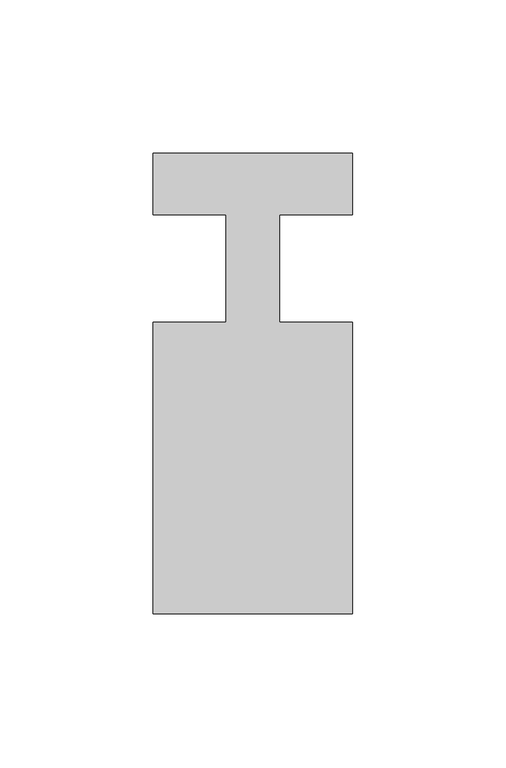
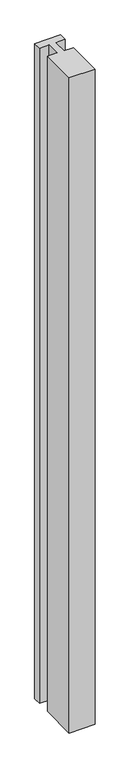
"""IFC4 building model written with IfcOpenShell, lengths in millimetres: member geometry."""

from ifc_helpers import new_model, si_unit, frame, origin, place, context, project, spatial, polyline, outline, extrude, source, transform, mapped, element, save


def member_0d824870(model_context):
    return source(origin(), model_context, "Body", "SweptSolid", [
        extrude(outline(polyline([(-65.0, 37.0), (0.0, 37.0), (0.0, 17.0), (-23.8125, 17.0), (-23.8125, -18.0), (0.0, -18.0), (0.0, -113.0), (-65.0, -113.0), (-65.0, -18.0), (-41.1875, -18.0), (-41.1875, 17.0), (-65.0, 17.0), (-65.0, 37.0)])), frame((0.0, 0.0, -1735.0), z_axis=(0.0, 0.0, 1.0), x_axis=(1.0, 0.0, 0.0)), (0.0, 0.0, 1.0), 1735.0),
    ])


if __name__ == "__main__":
    model = new_model("IFC4")
    model_context = context("Model", 3, world=origin())
    ifc_project = project(units=[si_unit("LENGTHUNIT", "METRE", prefix="MILLI")], contexts=[model_context])
    site = spatial("IfcSite", under=ifc_project)
    building = spatial("IfcBuilding", under=site)
    placement = place(None, origin())
    member_shape = member_0d824870(model_context)
    element("IfcMember", 1, at=placement, inside=building, context=model_context, shape_type="MappedRepresentation", body=[
        mapped(member_shape, transform((0.0, 0.0, 0.0), x_axis=(1.0, 0.0, 0.0), y_axis=(0.0, 1.0, 0.0), z_axis=(0.0, 0.0, 1.0))),
    ])
    save(model, "model.ifc")
